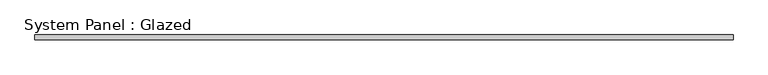
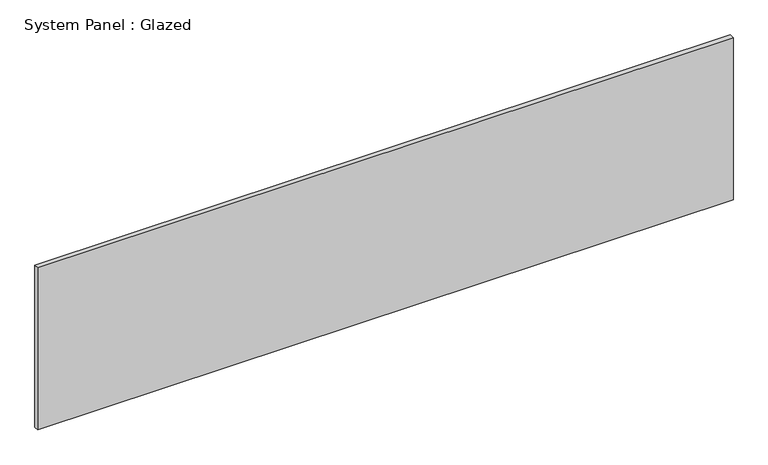
"""IFC4 building model written with IfcOpenShell, lengths in millimetres: plate geometry, System Panel : Glazed."""

from ifc_helpers import new_model, si_unit, origin, origin_with_axes, place, context, project, spatial, polyline, outline, extrude, source, transform, mapped, element, save


def system_panel_glazed_06494a9d(model_context):
    return source(origin(), model_context, "Body", "SweptSolid", [
        extrude(outline(polyline([(1827.0892095, 24.5), (-1827.0892095, 24.5), (-1827.0892095, 49.5), (1827.0892095, 49.5), (1827.0892095, 24.5)])), origin_with_axes(), (0.0, 0.0, 1.0), 900.0),
    ])


if __name__ == "__main__":
    model = new_model("IFC4")
    model_context = context("Model", 3, world=origin())
    ifc_project = project(units=[si_unit("LENGTHUNIT", "METRE", prefix="MILLI")], contexts=[model_context])
    site = spatial("IfcSite", under=ifc_project)
    building = spatial("IfcBuilding", under=site)
    placement = place(None, origin())
    system_panel_glazed_shape = system_panel_glazed_06494a9d(model_context)
    element("IfcPlate", 1, ObjectType="System Panel : Glazed", at=placement, inside=building, context=model_context, shape_type="MappedRepresentation", body=[
        mapped(system_panel_glazed_shape, transform((0.0, 0.0, 0.0), x_axis=(1.0, 0.0, 0.0), y_axis=(0.0, 1.0, 0.0), z_axis=(0.0, 0.0, 1.0))),
    ])
    save(model, "model.ifc")
